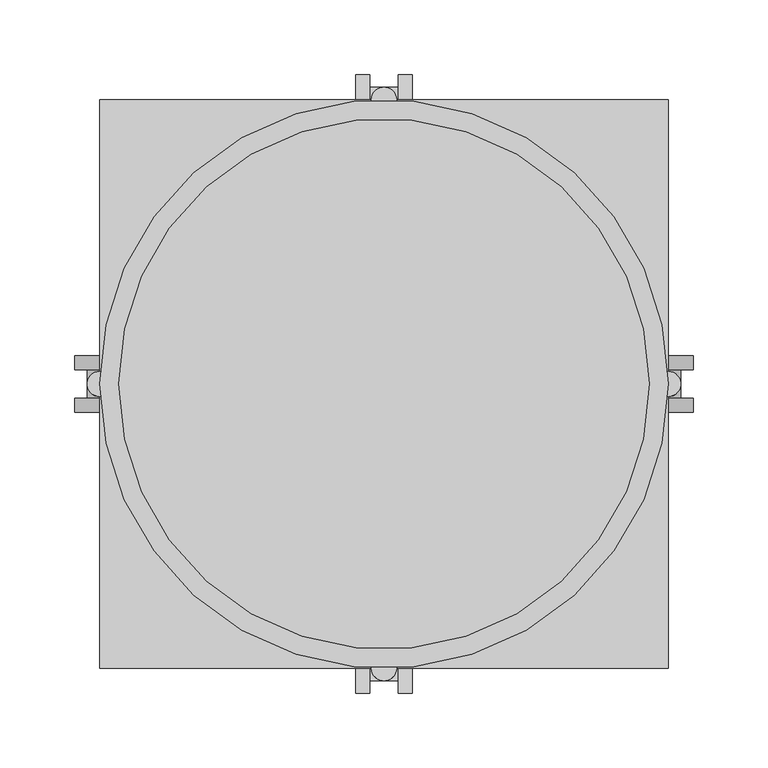
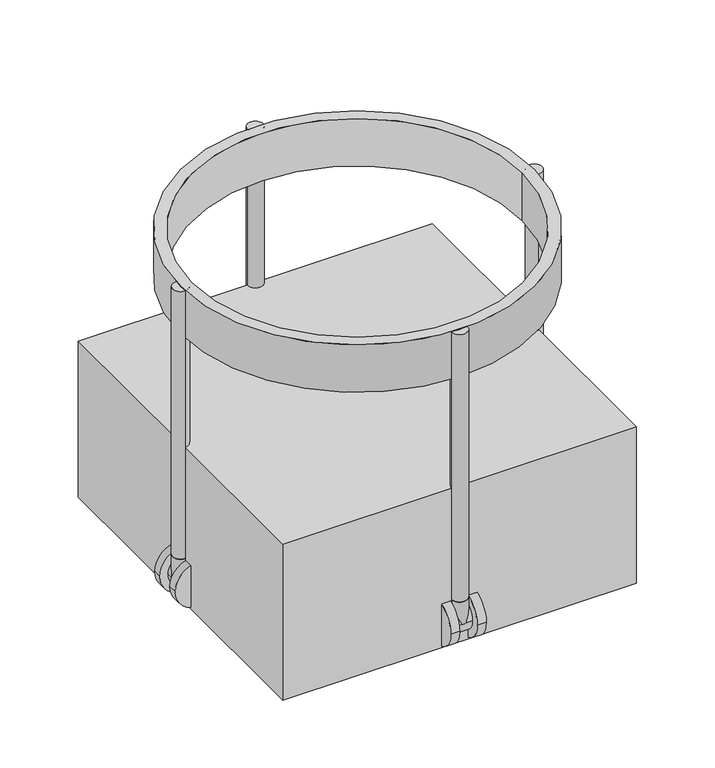
"""IFC4 building model written with IfcOpenShell, lengths in millimetres: proxy geometry."""

from ifc_helpers import new_model, si_unit, point, frame, frame_2d, origin, origin_with_axes, origin_2d, place, context, project, spatial, polyline, circle_curve, trimmed, segment, composite_curve, outline, extrude, source, transform, mapped, element, save


def specialty_equipment_d9d4683b(model_context):
    return source(origin(), model_context, "Body", "SweptSolid", [
        extrude(outline(composite_curve([segment(trimmed(circle_curve(origin_2d(), 190.5), [point((-190.5, 0.0))], [point((190.5, 0.0))], False, "CARTESIAN"), True, "CONTINUOUS"), segment(trimmed(circle_curve(origin_2d(), 190.5), [point((190.5, 0.0))], [point((-190.5, 0.0))], False, "CARTESIAN"), True, "CONTINUOUS")], self_intersect=False), holes=[composite_curve([segment(trimmed(circle_curve(origin_2d(), 177.8), [point((-177.8, 0.0))], [point((177.8, 0.0))], True, "CARTESIAN"), True, "CONTINUOUS"), segment(trimmed(circle_curve(origin_2d(), 177.8), [point((177.8, 0.0))], [point((-177.8, 0.0))], True, "CARTESIAN"), True, "CONTINUOUS")], self_intersect=False)]), frame((0.0, 0.0, 301.694085), z_axis=(0.0, 0.0, 1.0), x_axis=(1.0, 0.0, 0.0)), (0.0, 0.0, 1.0), 53.905915),
        extrude(outline(composite_curve([segment(trimmed(circle_curve(frame_2d((25.4, -182.0333333)), 25.4), [point((25.4, -156.6333333))], [point((25.4, -207.4333333))], False, "CARTESIAN"), True, "CONTINUOUS"), segment(trimmed(circle_curve(frame_2d((25.4, -182.0333333)), 25.4), [point((25.4, -207.4333333))], [point((25.4, -156.6333333))], False, "CARTESIAN"), True, "CONTINUOUS")], self_intersect=False)), frame((0.0, 9.525, 0.0), z_axis=(0.0, 1.0, 0.0), x_axis=(0.0, 0.0, 1.0)), (0.0, 0.0, 1.0), 9.525),
        extrude(outline(composite_curve([segment(trimmed(circle_curve(frame_2d((25.4, -182.0333333)), 25.4), [point((25.4, -156.6333333))], [point((25.4, -207.4333333))], False, "CARTESIAN"), True, "CONTINUOUS"), segment(trimmed(circle_curve(frame_2d((25.4, -182.0333333)), 25.4), [point((25.4, -207.4333333))], [point((25.4, -156.6333333))], False, "CARTESIAN"), True, "CONTINUOUS")], self_intersect=False)), frame((0.0, -19.05, 0.0), z_axis=(0.0, 1.0, 0.0), x_axis=(0.0, 0.0, 1.0)), (0.0, 0.0, 1.0), 9.525),
        extrude(outline(composite_curve([segment(trimmed(circle_curve(frame_2d((-190.5, 0.0)), 8.4666667), [point((-190.5, -8.4666667))], [point((-190.5, 8.4666667))], False, "CARTESIAN"), True, "CONTINUOUS"), segment(trimmed(circle_curve(frame_2d((-190.5, 0.0)), 8.4666667), [point((-190.5, 8.4666667))], [point((-190.5, -8.4666667))], False, "CARTESIAN"), True, "CONTINUOUS")], self_intersect=False)), frame((0.0, 0.0, 25.4), z_axis=(0.0, 0.0, 1.0), x_axis=(1.0, 0.0, 0.0)), (0.0, 0.0, 1.0), 25.4),
        extrude(outline(composite_curve([segment(trimmed(circle_curve(frame_2d((25.4, -182.0333333)), 16.9333333), [point((25.4, -165.1))], [point((25.4, -198.9666667))], False, "CARTESIAN"), True, "CONTINUOUS"), segment(trimmed(circle_curve(frame_2d((25.4, -182.0333333)), 16.9333333), [point((25.4, -198.9666667))], [point((25.4, -165.1))], False, "CARTESIAN"), True, "CONTINUOUS")], self_intersect=False)), frame((0.0, -9.525, 0.0), z_axis=(0.0, 1.0, 0.0), x_axis=(0.0, 0.0, 1.0)), (0.0, 0.0, 1.0), 19.05),
        extrude(outline(composite_curve([segment(trimmed(circle_curve(frame_2d((25.4, 182.0333333)), 25.4), [point((25.4, 156.6333333))], [point((25.4, 207.4333333))], False, "CARTESIAN"), True, "CONTINUOUS"), segment(trimmed(circle_curve(frame_2d((25.4, 182.0333333)), 25.4), [point((25.4, 207.4333333))], [point((25.4, 156.6333333))], False, "CARTESIAN"), True, "CONTINUOUS")], self_intersect=False)), frame((0.0, 9.525, 0.0), z_axis=(0.0, 1.0, 0.0), x_axis=(0.0, 0.0, 1.0)), (0.0, 0.0, 1.0), 9.525),
        extrude(outline(composite_curve([segment(trimmed(circle_curve(frame_2d((25.4, 182.0333333)), 25.4), [point((25.4, 156.6333333))], [point((25.4, 207.4333333))], False, "CARTESIAN"), True, "CONTINUOUS"), segment(trimmed(circle_curve(frame_2d((25.4, 182.0333333)), 25.4), [point((25.4, 207.4333333))], [point((25.4, 156.6333333))], False, "CARTESIAN"), True, "CONTINUOUS")], self_intersect=False)), frame((0.0, -19.05, 0.0), z_axis=(0.0, 1.0, 0.0), x_axis=(0.0, 0.0, 1.0)), (0.0, 0.0, 1.0), 9.525),
        extrude(outline(composite_curve([segment(trimmed(circle_curve(frame_2d((190.5, 0.0)), 8.4666667), [point((190.5, -8.4666667))], [point((190.5, 8.4666667))], False, "CARTESIAN"), True, "CONTINUOUS"), segment(trimmed(circle_curve(frame_2d((190.5, 0.0)), 8.4666667), [point((190.5, 8.4666667))], [point((190.5, -8.4666667))], False, "CARTESIAN"), True, "CONTINUOUS")], self_intersect=False)), frame((0.0, 0.0, 25.4), z_axis=(0.0, 0.0, 1.0), x_axis=(1.0, 0.0, 0.0)), (0.0, 0.0, 1.0), 25.4),
        extrude(outline(composite_curve([segment(trimmed(circle_curve(frame_2d((25.4, 182.0333333)), 16.9333333), [point((25.4, 165.1))], [point((25.4, 198.9666667))], False, "CARTESIAN"), True, "CONTINUOUS"), segment(trimmed(circle_curve(frame_2d((25.4, 182.0333333)), 16.9333333), [point((25.4, 198.9666667))], [point((25.4, 165.1))], False, "CARTESIAN"), True, "CONTINUOUS")], self_intersect=False)), frame((0.0, -9.525, 0.0), z_axis=(0.0, 1.0, 0.0), x_axis=(0.0, 0.0, 1.0)), (0.0, 0.0, 1.0), 19.05),
        extrude(outline(composite_curve([segment(trimmed(circle_curve(frame_2d((182.0333333, 25.4)), 25.4), [point((156.6333333, 25.4))], [point((207.4333333, 25.4))], False, "CARTESIAN"), True, "CONTINUOUS"), segment(trimmed(circle_curve(frame_2d((182.0333333, 25.4)), 25.4), [point((207.4333333, 25.4))], [point((156.6333333, 25.4))], False, "CARTESIAN"), True, "CONTINUOUS")], self_intersect=False)), frame((9.525, 0.0, 0.0), z_axis=(1.0, 0.0, 0.0), x_axis=(0.0, 1.0, 0.0)), (0.0, 0.0, 1.0), 9.525),
        extrude(outline(composite_curve([segment(trimmed(circle_curve(frame_2d((182.0333333, 25.4)), 25.4), [point((156.6333333, 25.4))], [point((207.4333333, 25.4))], False, "CARTESIAN"), True, "CONTINUOUS"), segment(trimmed(circle_curve(frame_2d((182.0333333, 25.4)), 25.4), [point((207.4333333, 25.4))], [point((156.6333333, 25.4))], False, "CARTESIAN"), True, "CONTINUOUS")], self_intersect=False)), frame((-19.05, 0.0, 0.0), z_axis=(1.0, 0.0, 0.0), x_axis=(0.0, 1.0, 0.0)), (0.0, 0.0, 1.0), 9.525),
        extrude(outline(composite_curve([segment(trimmed(circle_curve(frame_2d((0.0, 190.5)), 8.4666667), [point((-8.4666667, 190.5))], [point((8.4666667, 190.5))], False, "CARTESIAN"), True, "CONTINUOUS"), segment(trimmed(circle_curve(frame_2d((0.0, 190.5)), 8.4666667), [point((8.4666667, 190.5))], [point((-8.4666667, 190.5))], False, "CARTESIAN"), True, "CONTINUOUS")], self_intersect=False)), frame((0.0, 0.0, 25.4), z_axis=(0.0, 0.0, 1.0), x_axis=(1.0, 0.0, 0.0)), (0.0, 0.0, 1.0), 25.4),
        extrude(outline(composite_curve([segment(trimmed(circle_curve(frame_2d((182.0333333, 25.4)), 16.9333333), [point((165.1, 25.4))], [point((198.9666667, 25.4))], False, "CARTESIAN"), True, "CONTINUOUS"), segment(trimmed(circle_curve(frame_2d((182.0333333, 25.4)), 16.9333333), [point((198.9666667, 25.4))], [point((165.1, 25.4))], False, "CARTESIAN"), True, "CONTINUOUS")], self_intersect=False)), frame((-9.525, 0.0, 0.0), z_axis=(1.0, 0.0, 0.0), x_axis=(0.0, 1.0, 0.0)), (0.0, 0.0, 1.0), 19.05),
        extrude(outline(composite_curve([segment(trimmed(circle_curve(frame_2d((-182.0333333, 25.4)), 25.4), [point((-156.6333333, 25.4))], [point((-207.4333333, 25.4))], False, "CARTESIAN"), True, "CONTINUOUS"), segment(trimmed(circle_curve(frame_2d((-182.0333333, 25.4)), 25.4), [point((-207.4333333, 25.4))], [point((-156.6333333, 25.4))], False, "CARTESIAN"), True, "CONTINUOUS")], self_intersect=False)), frame((9.525, 0.0, 0.0), z_axis=(1.0, 0.0, 0.0), x_axis=(0.0, 1.0, 0.0)), (0.0, 0.0, 1.0), 9.525),
        extrude(outline(composite_curve([segment(trimmed(circle_curve(frame_2d((-182.0333333, 25.4)), 25.4), [point((-156.6333333, 25.4))], [point((-207.4333333, 25.4))], False, "CARTESIAN"), True, "CONTINUOUS"), segment(trimmed(circle_curve(frame_2d((-182.0333333, 25.4)), 25.4), [point((-207.4333333, 25.4))], [point((-156.6333333, 25.4))], False, "CARTESIAN"), True, "CONTINUOUS")], self_intersect=False)), frame((-19.05, 0.0, 0.0), z_axis=(1.0, 0.0, 0.0), x_axis=(0.0, 1.0, 0.0)), (0.0, 0.0, 1.0), 9.525),
        extrude(outline(composite_curve([segment(trimmed(circle_curve(frame_2d((0.0, -190.5)), 8.4666667), [point((-8.4666667, -190.5))], [point((8.4666667, -190.5))], False, "CARTESIAN"), True, "CONTINUOUS"), segment(trimmed(circle_curve(frame_2d((0.0, -190.5)), 8.4666667), [point((8.4666667, -190.5))], [point((-8.4666667, -190.5))], False, "CARTESIAN"), True, "CONTINUOUS")], self_intersect=False)), frame((0.0, 0.0, 25.4), z_axis=(0.0, 0.0, 1.0), x_axis=(1.0, 0.0, 0.0)), (0.0, 0.0, 1.0), 25.4),
        extrude(outline(composite_curve([segment(trimmed(circle_curve(frame_2d((-182.0333333, 25.4)), 16.9333333), [point((-165.1, 25.4))], [point((-198.9666667, 25.4))], False, "CARTESIAN"), True, "CONTINUOUS"), segment(trimmed(circle_curve(frame_2d((-182.0333333, 25.4)), 16.9333333), [point((-198.9666667, 25.4))], [point((-165.1, 25.4))], False, "CARTESIAN"), True, "CONTINUOUS")], self_intersect=False)), frame((-9.525, 0.0, 0.0), z_axis=(1.0, 0.0, 0.0), x_axis=(0.0, 1.0, 0.0)), (0.0, 0.0, 1.0), 19.05),
        extrude(outline(composite_curve([segment(trimmed(circle_curve(frame_2d((-190.5, 0.0)), 8.4666667), [point((-190.5, -8.4666667))], [point((-190.5, 8.4666667))], False, "CARTESIAN"), True, "CONTINUOUS"), segment(trimmed(circle_curve(frame_2d((-190.5, 0.0)), 8.4666667), [point((-190.5, 8.4666667))], [point((-190.5, -8.4666667))], False, "CARTESIAN"), True, "CONTINUOUS")], self_intersect=False)), frame((0.0, 0.0, 50.8), z_axis=(0.0, 0.0, 1.0), x_axis=(1.0, 0.0, 0.0)), (0.0, 0.0, 1.0), 304.8),
        extrude(outline(composite_curve([segment(trimmed(circle_curve(frame_2d((0.0, -190.5)), 8.4666667), [point((8.4666667, -190.5))], [point((-8.4666667, -190.5))], False, "CARTESIAN"), True, "CONTINUOUS"), segment(trimmed(circle_curve(frame_2d((0.0, -190.5)), 8.4666667), [point((-8.4666667, -190.5))], [point((8.4666667, -190.5))], False, "CARTESIAN"), True, "CONTINUOUS")], self_intersect=False)), frame((0.0, 0.0, 50.8), z_axis=(0.0, 0.0, 1.0), x_axis=(1.0, 0.0, 0.0)), (0.0, 0.0, 1.0), 304.8),
        extrude(outline(composite_curve([segment(trimmed(circle_curve(frame_2d((190.5, 0.0)), 8.4666667), [point((190.5, 8.4666667))], [point((190.5, -8.4666667))], False, "CARTESIAN"), True, "CONTINUOUS"), segment(trimmed(circle_curve(frame_2d((190.5, 0.0)), 8.4666667), [point((190.5, -8.4666667))], [point((190.5, 8.4666667))], False, "CARTESIAN"), True, "CONTINUOUS")], self_intersect=False)), frame((0.0, 0.0, 50.8), z_axis=(0.0, 0.0, 1.0), x_axis=(1.0, 0.0, 0.0)), (0.0, 0.0, 1.0), 304.8),
        extrude(outline(composite_curve([segment(trimmed(circle_curve(frame_2d((0.0, 190.5)), 8.4666667), [point((-8.4666667, 190.5))], [point((8.4666667, 190.5))], False, "CARTESIAN"), True, "CONTINUOUS"), segment(trimmed(circle_curve(frame_2d((0.0, 190.5)), 8.4666667), [point((8.4666667, 190.5))], [point((-8.4666667, 190.5))], False, "CARTESIAN"), True, "CONTINUOUS")], self_intersect=False)), frame((0.0, 0.0, 50.8), z_axis=(0.0, 0.0, 1.0), x_axis=(1.0, 0.0, 0.0)), (0.0, 0.0, 1.0), 304.8),
        extrude(outline(polyline([(-190.5, -190.5), (-190.5, 0.0), (-190.5, 190.5), (190.5, 190.5), (190.5, -190.5), (-190.5, -190.5)])), origin_with_axes(), (0.0, 0.0, 1.0), 177.8),
    ])


if __name__ == "__main__":
    model = new_model("IFC4")
    model_context = context("Model", 3, world=origin())
    ifc_project = project(units=[si_unit("LENGTHUNIT", "METRE", prefix="MILLI")], contexts=[model_context])
    site = spatial("IfcSite", under=ifc_project)
    building = spatial("IfcBuilding", under=site)
    placement = place(None, origin())
    specialty_equipment_shape = specialty_equipment_d9d4683b(model_context)
    element("IfcBuildingElementProxy", 1, Name="Specialty Equipment", at=placement, inside=building, context=model_context, shape_type="MappedRepresentation", body=[
        mapped(specialty_equipment_shape, transform((0.0, 0.0, 0.0), x_axis=(1.0, 0.0, 0.0), y_axis=(0.0, 1.0, 0.0), z_axis=(0.0, 0.0, 1.0))),
    ])
    save(model, "model.ifc")
